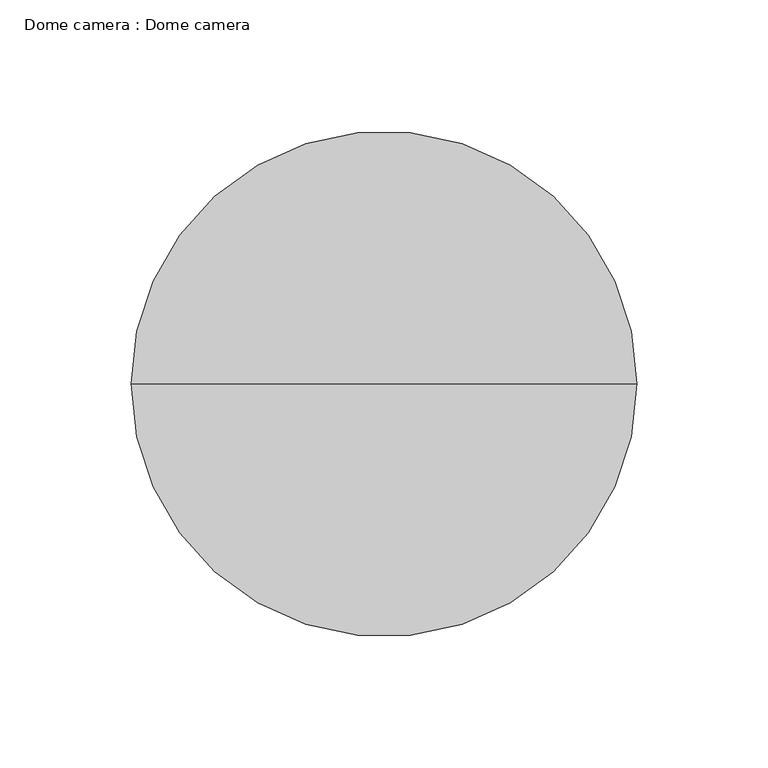
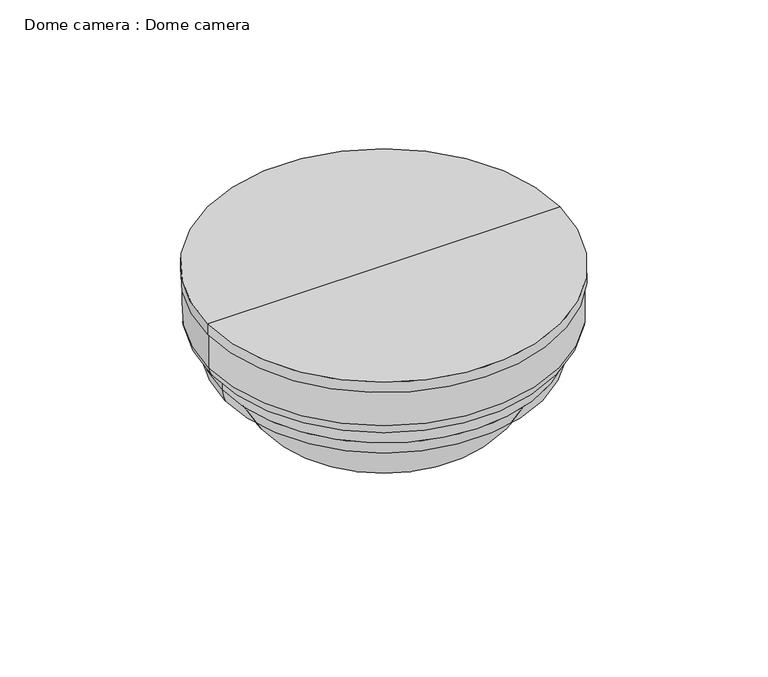
"""IFC4 building model written with IfcOpenShell, lengths in millimetres: proxy geometry, Dome camera : Dome camera."""

from ifc_helpers import new_model, si_unit, point, frame, origin, place, context, project, spatial, polyline, circle_curve, ellipse_curve, trimmed, source, transform, mapped, element, save
from ifc_brep_helpers import plane_surface, cylinder_surface, revolved_surface, advanced_brep


def dome_camera_dome_camera_97515e13(model_context):
    return source(origin(), model_context, "Body", "AdvancedBrep", [
        advanced_brep(
        [(88.2019115, 0.0, 50.9375352), (-88.2019115, 0.0, 50.9375352), (0.0, 0.0, 50.9375352), (0.0, 0.0, 36.625), (-86.5508819, 0.0, 36.625), (86.5508819, 0.0, 36.625), (88.2019115, 0.0, 43.5982809), (-88.2019115, 0.0, 43.5982809)],
        [
            (0, 1, circle_curve(frame((0.0, 0.0, 50.9375352), z_axis=(0.0, 0.0, 1.0), x_axis=(-1.0, 0.0, 0.0)), 88.2019115)),
            (1, 2),
            (2, 0),
            (1, 0, circle_curve(frame((0.0, 0.0, 50.9375352), z_axis=(0.0, 0.0, 1.0), x_axis=(-1.0, 0.0, 0.0)), 88.2019115)),
            (3, 4),
            (4, 5, circle_curve(frame((0.0, 0.0, 36.625), z_axis=(0.0, 0.0, -1.0), x_axis=(-1.0, 0.0, 0.0)), 86.5508819)),
            (5, 3),
            (5, 4, circle_curve(frame((0.0, 0.0, 36.625), z_axis=(0.0, 0.0, -1.0), x_axis=(-1.0, 0.0, 0.0)), 86.5508819)),
            (6, 7, circle_curve(frame((0.0, 0.0, 43.5982809), z_axis=(0.0, 0.0, 1.0), x_axis=(-1.0, 0.0, 0.0)), 88.2019115)),
            (7, 1),
            (0, 6),
            (7, 6, circle_curve(frame((0.0, 0.0, 43.5982809), z_axis=(0.0, 0.0, 1.0), x_axis=(-1.0, 0.0, 0.0)), 88.2019115)),
            (4, 7, circle_curve(frame((-68.2293208, 0.0, 44.645), z_axis=(0.0, 1.0, 0.0), x_axis=(-1.0, 0.0, 0.0)), 20.0)),
            (6, 5, circle_curve(frame((68.2293208, 0.0, 44.645), z_axis=(0.0, 1.0, 0.0), x_axis=(1.0, 0.0, 0.0)), 20.0)),
        ],
        [
            plane_surface(frame((0.0, 0.0, 50.9375352), z_axis=(0.0, 0.0, 1.0), x_axis=(-1.0, 0.0, 0.0))),
            plane_surface(frame((0.0, 0.0, 36.625), z_axis=(0.0, 0.0, -1.0), x_axis=(-1.0, 0.0, 0.0))),
            cylinder_surface(frame((0.0, 0.0, -19.8415071), z_axis=(0.0, 0.0, -1.0), x_axis=(-1.0, 0.0, 0.0)), 88.2019115),
            revolved_surface(trimmed(ellipse_curve(frame((-68.2293208, 0.0, 44.645), z_axis=(0.0, -1.0, 0.0), x_axis=(-1.0, 0.0, 0.0)), 20.0, 20.0), [point((-88.2019115, 0.0, 43.5982809))], [point((-86.5508819, 0.0, 36.625))], True, "CARTESIAN"), (0.0, 0.0, -19.8415071), (0.0, 0.0, -1.0)),
        ],
        [
            (0, [[1, 2, 3]]),
            (0, [[4, -3, -2]]),
            (1, [[5, 6, 7]]),
            (1, [[-7, 8, -5]]),
            (2, [[9, 10, -1, 11]]),
            (2, [[12, -11, -4, -10]]),
            (3, [[-6, 13, -9, 14]]),
            (3, [[-8, -14, -12, -13]]),
        ],
    ),
        advanced_brep(
        [(72.8236889, 0.0, 36.625), (-72.8236889, 0.0, 36.625), (0.0, 0.0, 36.625), (0.0, 0.0, 0.0), (-40.8718208, 0.0, 0.0), (40.8718208, 0.0, 0.0)],
        [
            (0, 1, circle_curve(frame((0.0, 0.0, 36.625), z_axis=(0.0, 0.0, 1.0), x_axis=(-1.0, 0.0, 0.0)), 72.8236889)),
            (1, 2),
            (2, 0),
            (1, 0, circle_curve(frame((0.0, 0.0, 36.625), z_axis=(0.0, 0.0, 1.0), x_axis=(-1.0, 0.0, 0.0)), 72.8236889)),
            (3, 4),
            (4, 5, circle_curve(frame((0.0, 0.0, 0.0), z_axis=(0.0, 0.0, -1.0), x_axis=(-1.0, 0.0, 0.0)), 40.8718208)),
            (5, 3),
            (5, 4, circle_curve(frame((0.0, 0.0, 0.0), z_axis=(0.0, 0.0, -1.0), x_axis=(-1.0, 0.0, 0.0)), 40.8718208)),
            (4, 1, circle_curve(frame((-40.8718208, 0.0, 32.25), z_axis=(0.0, 1.0, 0.0), x_axis=(-1.0, 0.0, 0.0)), 32.25)),
            (0, 5, circle_curve(frame((40.8718208, 0.0, 32.25), z_axis=(0.0, 1.0, 0.0), x_axis=(1.0, 0.0, 0.0)), 32.25)),
        ],
        [
            plane_surface(frame((0.0, 0.0, 36.625), z_axis=(0.0, 0.0, 1.0), x_axis=(-1.0, 0.0, 0.0))),
            plane_surface(frame((0.0, 0.0, 0.0), z_axis=(0.0, 0.0, -1.0), x_axis=(-1.0, 0.0, 0.0))),
            revolved_surface(trimmed(ellipse_curve(frame((-40.8718208, 0.0, 32.25), z_axis=(0.0, -1.0, 0.0), x_axis=(-1.0, 0.0, 0.0)), 32.25, 32.25), [point((-72.8236889, 0.0, 36.625))], [point((-40.8718208, 0.0, 0.0))], True, "CARTESIAN"), (0.0, 0.0, -51.9915071), (0.0, 0.0, -1.0)),
        ],
        [
            (0, [[1, 2, 3]]),
            (0, [[4, -3, -2]]),
            (1, [[5, 6, 7]]),
            (1, [[-7, 8, -5]]),
            (2, [[-6, 9, -1, 10]]),
            (2, [[-8, -10, -4, -9]]),
        ],
    ),
        advanced_brep(
        [(0.0, 0.0, 78.3084929), (-96.25, 0.0, 78.3084929), (96.25, 0.0, 78.3084929), (96.25, 0.0, 84.3084929), (-96.25, 0.0, 84.3084929), (0.0, 0.0, 84.3084929)],
        [
            (0, 1),
            (1, 2, circle_curve(frame((0.0, 0.0, 78.3084929), z_axis=(0.0, 0.0, -1.0), x_axis=(-1.0, 0.0, 0.0)), 96.25)),
            (2, 0),
            (2, 1, circle_curve(frame((0.0, 0.0, 78.3084929), z_axis=(0.0, 0.0, -1.0), x_axis=(-1.0, 0.0, 0.0)), 96.25)),
            (3, 4, circle_curve(frame((0.0, 0.0, 84.3084929), z_axis=(0.0, 0.0, 1.0), x_axis=(-1.0, 0.0, 0.0)), 96.25)),
            (4, 5),
            (5, 3),
            (4, 3, circle_curve(frame((0.0, 0.0, 84.3084929), z_axis=(0.0, 0.0, 1.0), x_axis=(-1.0, 0.0, 0.0)), 96.25)),
            (1, 4),
            (3, 2),
        ],
        [
            plane_surface(frame((0.0, 0.0, 78.3084929), z_axis=(0.0, 0.0, -1.0), x_axis=(-1.0, 0.0, 0.0))),
            plane_surface(frame((0.0, 0.0, 84.3084929), z_axis=(0.0, 0.0, 1.0), x_axis=(-1.0, 0.0, 0.0))),
            cylinder_surface(frame((0.0, 0.0, 13.3084929), z_axis=(0.0, 0.0, -1.0), x_axis=(-1.0, 0.0, 0.0)), 96.25),
        ],
        [
            (0, [[1, 2, 3]]),
            (0, [[-3, 4, -1]]),
            (1, [[5, 6, 7]]),
            (1, [[8, -7, -6]]),
            (2, [[-2, 9, -5, 10]]),
            (2, [[-4, -10, -8, -9]]),
        ],
    ),
        advanced_brep(
        [(95.55, 0.0, 78.3084929), (-95.55, 0.0, 78.3084929), (0.0, 0.0, 78.3084929), (95.55, 0.0, 58.7481652), (-95.55, 0.0, 58.7481652), (57.8125, 0.0, 49.4759235), (-57.8125, 0.0, 49.4759235), (-88.5568218, 0.0, 50.9375352), (88.5568218, 0.0, 50.9375352), (57.8125, 0.0, 50.8084929), (-57.8125, 0.0, 50.8084929), (0.0, 0.0, 50.8084929)],
        [
            (0, 1, circle_curve(frame((0.0, 0.0, 78.3084929), z_axis=(0.0, 0.0, 1.0), x_axis=(-1.0, 0.0, 0.0)), 95.55)),
            (1, 2),
            (2, 0),
            (1, 0, circle_curve(frame((0.0, 0.0, 78.3084929), z_axis=(0.0, 0.0, 1.0), x_axis=(-1.0, 0.0, 0.0)), 95.55)),
            (3, 4, circle_curve(frame((0.0, 0.0, 58.7481652), z_axis=(0.0, 0.0, 1.0), x_axis=(-1.0, 0.0, 0.0)), 95.55)),
            (4, 1),
            (0, 3),
            (4, 3, circle_curve(frame((0.0, 0.0, 58.7481652), z_axis=(0.0, 0.0, 1.0), x_axis=(-1.0, 0.0, 0.0)), 95.55)),
            (5, 6, circle_curve(frame((0.0, 0.0, 49.4759235), z_axis=(0.0, 0.0, 1.0), x_axis=(-1.0, 0.0, 0.0)), 57.8125)),
            (6, 7),
            (7, 8, circle_curve(frame((0.0, 0.0, 50.9375352), z_axis=(0.0, 0.0, -1.0), x_axis=(-1.0, 0.0, 0.0)), 88.5568218)),
            (8, 5),
            (6, 5, circle_curve(frame((0.0, 0.0, 49.4759235), z_axis=(0.0, 0.0, 1.0), x_axis=(-1.0, 0.0, 0.0)), 57.8125)),
            (8, 7, circle_curve(frame((0.0, 0.0, 50.9375352), z_axis=(0.0, 0.0, -1.0), x_axis=(-1.0, 0.0, 0.0)), 88.5568218)),
            (9, 10, circle_curve(frame((0.0, 0.0, 50.8084929), z_axis=(0.0, 0.0, 1.0), x_axis=(-1.0, 0.0, 0.0)), 57.8125)),
            (10, 6),
            (5, 9),
            (10, 9, circle_curve(frame((0.0, 0.0, 50.8084929), z_axis=(0.0, 0.0, 1.0), x_axis=(-1.0, 0.0, 0.0)), 57.8125)),
            (11, 10),
            (9, 11),
            (7, 4, circle_curve(frame((-87.6915929, 0.0, 58.7481652), z_axis=(0.0, 1.0, 0.0), x_axis=(-1.0, 0.0, 0.0)), 7.8584071)),
            (3, 8, circle_curve(frame((87.6915929, 0.0, 58.7481652), z_axis=(0.0, 1.0, 0.0), x_axis=(1.0, 0.0, 0.0)), 7.8584071)),
        ],
        [
            plane_surface(frame((0.0, 0.0, 78.3084929), z_axis=(0.0, 0.0, 1.0), x_axis=(-1.0, 0.0, 0.0))),
            cylinder_surface(frame((0.0, 0.0, -36.9915071), z_axis=(0.0, 0.0, -1.0), x_axis=(-1.0, 0.0, 0.0)), 95.55),
            revolved_surface(polyline([(-88.5568218, 0.0, 50.9375352), (-57.8125, 0.0, 49.4759235)]), (0.0, 0.0, -36.9915071), (0.0, 0.0, -1.0)),
            revolved_surface(polyline([(-57.8125, 0.0, 49.4759235), (-57.8125, 0.0, 50.8084929)]), (0.0, 0.0, -36.9915071), (0.0, 0.0, -1.0)),
            plane_surface(frame((0.0, 0.0, 50.8084929), z_axis=(0.0, 0.0, -1.0), x_axis=(-1.0, 0.0, 0.0))),
            revolved_surface(trimmed(ellipse_curve(frame((-87.6915929, 0.0, 58.7481652), z_axis=(0.0, -1.0, 0.0), x_axis=(-1.0, 0.0, 0.0)), 7.8584071, 7.8584071), [point((-95.55, 0.0, 58.7481652))], [point((-88.5568218, 0.0, 50.9375352))], True, "CARTESIAN"), (0.0, 0.0, -36.9915071), (0.0, 0.0, -1.0)),
        ],
        [
            (0, [[1, 2, 3]]),
            (0, [[4, -3, -2]]),
            (1, [[5, 6, -1, 7]]),
            (1, [[8, -7, -4, -6]]),
            (2, [[9, 10, 11, 12]]),
            (2, [[13, -12, 14, -10]]),
            (3, [[15, 16, -9, 17]]),
            (3, [[18, -17, -13, -16]]),
            (4, [[19, -15, 20]]),
            (4, [[-20, -18, -19]]),
            (5, [[-11, 21, -5, 22]]),
            (5, [[-14, -22, -8, -21]]),
        ],
    ),
    ])


if __name__ == "__main__":
    model = new_model("IFC4")
    model_context = context("Model", 3, world=origin())
    ifc_project = project(units=[si_unit("LENGTHUNIT", "METRE", prefix="MILLI")], contexts=[model_context])
    site = spatial("IfcSite", under=ifc_project)
    building = spatial("IfcBuilding", under=site)
    placement = place(None, origin())
    dome_camera_dome_camera_shape = dome_camera_dome_camera_97515e13(model_context)
    element("IfcBuildingElementProxy", 1, Name="Dome camera : Dome camera", ObjectType="Dome camera : Dome camera", at=placement, inside=building, context=model_context, shape_type="MappedRepresentation", body=[
        mapped(dome_camera_dome_camera_shape, transform((0.0, 0.0, 0.0), x_axis=(1.0, 0.0, 0.0), y_axis=(0.0, 1.0, 0.0), z_axis=(0.0, 0.0, 1.0))),
    ])
    save(model, "model.ifc")
